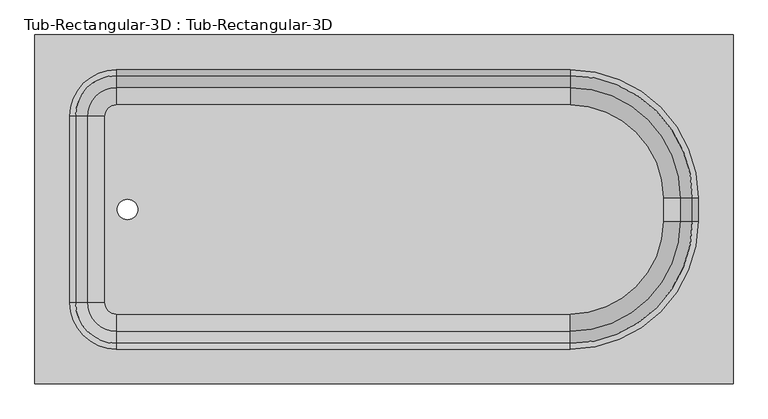
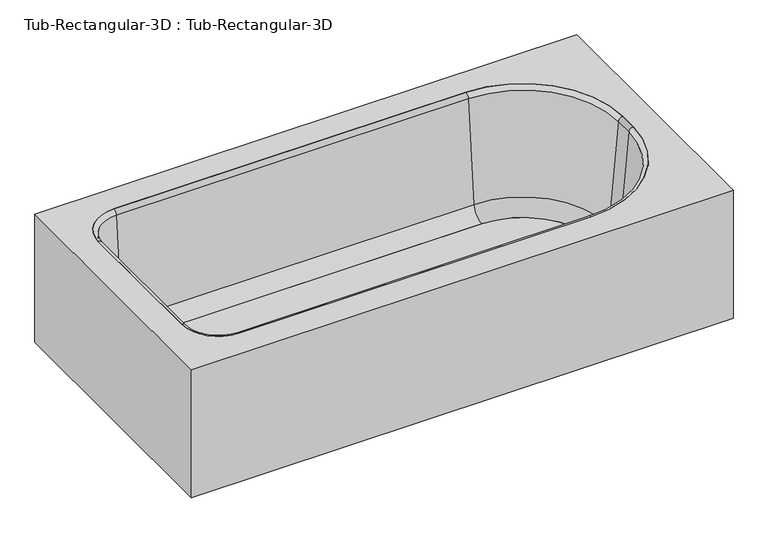
"""IFC4 building model written with IfcOpenShell, lengths in millimetres: flow terminal geometry, Tub-Rectangular-3D : Tub-Rectangular-3D."""

from ifc_helpers import new_model, si_unit, point, frame, frame_2d, origin, place, context, project, spatial, polyline, circle_curve, ellipse_curve, trimmed, segment, composite_curve, outline, extrude, source, transform, mapped, element, save
from ifc_brep_helpers import plane_surface, cylinder_surface, revolved_surface, advanced_brep


def tub_rectangular_3d_tub_rectangular_3d_50df5c49(model_context):
    return source(origin(), model_context, "Body", "SolidModel", [
        advanced_brep(
        [(413.3970313, -885.825, 381.0), (413.3970313, -123.825, 381.0), (-1110.6029687, -123.825, 381.0), (-1110.6029687, -885.825, 381.0), (-932.8029687, -809.625, 381.0), (-1034.4029687, -708.025, 381.0), (-1034.4029687, -301.625, 381.0), (-932.8029687, -200.025, 381.0), (57.7970313, -200.025, 381.0), (337.1970313, -479.425, 381.0), (337.1970313, -530.225, 381.0), (57.7970313, -809.625, 381.0), (394.3470313, -866.775, 361.95), (-1091.5529687, -866.775, 361.95), (-1091.5529687, -142.875, 361.95), (394.3470313, -142.875, 361.95), (-932.8029687, -809.625, 361.95), (57.7970313, -809.625, 361.95), (337.1970313, -530.225, 361.95), (337.1970313, -479.425, 361.95), (57.7970313, -200.025, 361.95), (-932.8029687, -200.025, 361.95), (-1034.4029687, -301.625, 361.95), (-1034.4029687, -708.025, 361.95), (-1110.6029687, -885.825, 0.0), (413.3970313, -885.825, 0.0), (-1110.6029687, -123.825, 0.0), (413.3970313, -123.825, 0.0), (394.3470313, -866.775, 0.0), (394.3470313, -142.875, 0.0), (-1091.5529687, -142.875, 0.0), (-1091.5529687, -866.775, 0.0)],
        [
            (0, 1),
            (1, 2),
            (2, 3),
            (3, 0),
            (4, 5, circle_curve(frame((-932.8029687, -708.025, 381.0), z_axis=(0.0, 0.0, -1.0), x_axis=(0.0, -1.0, 0.0)), 101.6)),
            (5, 6),
            (6, 7, circle_curve(frame((-932.8029687, -301.625, 381.0), z_axis=(0.0, 0.0, -1.0), x_axis=(0.0, -1.0, 0.0)), 101.6)),
            (7, 8),
            (8, 9, circle_curve(frame((57.7970313, -479.425, 381.0), z_axis=(0.0, 0.0, -1.0), x_axis=(0.0, -1.0, 0.0)), 279.4)),
            (9, 10),
            (10, 11, circle_curve(frame((57.7970313, -530.225, 381.0), z_axis=(0.0, 0.0, -1.0), x_axis=(0.0, -1.0, 0.0)), 279.4)),
            (11, 4),
            (12, 13),
            (13, 14),
            (14, 15),
            (15, 12),
            (16, 17),
            (17, 18, circle_curve(frame((57.7970313, -530.225, 361.95), z_axis=(0.0, 0.0, 1.0), x_axis=(0.0, -1.0, 0.0)), 279.4)),
            (18, 19),
            (19, 20, circle_curve(frame((57.7970313, -479.425, 361.95), z_axis=(0.0, 0.0, 1.0), x_axis=(0.0, -1.0, 0.0)), 279.4)),
            (20, 21),
            (21, 22, circle_curve(frame((-932.8029687, -301.625, 361.95), z_axis=(0.0, 0.0, 1.0), x_axis=(0.0, -1.0, 0.0)), 101.6)),
            (22, 23),
            (23, 16, circle_curve(frame((-932.8029687, -708.025, 361.95), z_axis=(0.0, 0.0, 1.0), x_axis=(0.0, -1.0, 0.0)), 101.6)),
            (3, 24),
            (24, 25),
            (25, 0),
            (2, 26),
            (26, 24),
            (1, 27),
            (27, 26),
            (25, 27),
            (11, 17),
            (16, 4),
            (10, 18),
            (9, 19),
            (8, 20),
            (7, 21),
            (6, 22),
            (5, 23),
            (28, 29),
            (29, 30),
            (30, 31),
            (31, 28),
            (28, 12),
            (15, 29),
            (14, 30),
            (13, 31),
        ],
        [
            plane_surface(frame((-1110.6029687, -885.825, 381.0), z_axis=(0.0, 0.0, 1.0), x_axis=(-1.0, 0.0, 0.0))),
            plane_surface(frame((-1110.6029687, -885.825, 361.95), z_axis=(0.0, 0.0, -1.0), x_axis=(1.0, 0.0, 0.0))),
            plane_surface(frame((413.3970313, -885.825, 381.0), z_axis=(0.0, -1.0, 0.0), x_axis=(0.0, 0.0, -1.0))),
            plane_surface(frame((-1110.6029687, -885.825, 381.0), z_axis=(-1.0, 0.0, 0.0), x_axis=(0.0, 0.0, -1.0))),
            plane_surface(frame((-1110.6029687, -123.825, 381.0), z_axis=(0.0, 1.0, 0.0), x_axis=(0.0, 0.0, -1.0))),
            plane_surface(frame((413.3970313, -123.825, 381.0), z_axis=(1.0, 0.0, 0.0), x_axis=(0.0, 0.0, -1.0))),
            plane_surface(frame((-932.8029687, -809.625, 381.0), z_axis=(0.0, 1.0, 0.0), x_axis=(0.0, 0.0, -1.0))),
            revolved_surface(polyline([(57.7970313, -809.625, 361.95), (57.7970313, -809.625, 381.0)]), (57.7970313, -530.225, 381.0), (0.0, 0.0, -1.0)),
            plane_surface(frame((337.1970313, -530.225, 381.0), z_axis=(-1.0, 0.0, 0.0), x_axis=(0.0, 0.0, -1.0))),
            revolved_surface(polyline([(57.7970313, -758.825, 361.95), (57.7970313, -758.825, 381.0)]), (57.7970313, -479.425, 381.0), (0.0, 0.0, -1.0)),
            plane_surface(frame((57.7970313, -200.025, 381.0), z_axis=(0.0, -1.0, 0.0), x_axis=(0.0, 0.0, -1.0))),
            revolved_surface(polyline([(-932.8029687, -403.225, 361.95), (-932.8029687, -403.225, 381.0)]), (-932.8029687, -301.625, 381.0), (0.0, 0.0, -1.0)),
            plane_surface(frame((-1034.4029687, -301.625, 381.0), z_axis=(1.0, 0.0, 0.0), x_axis=(0.0, 0.0, -1.0))),
            revolved_surface(polyline([(-932.8029687, -809.625, 361.95), (-932.8029687, -809.625, 381.0)]), (-932.8029687, -708.025, 381.0), (0.0, 0.0, -1.0)),
            plane_surface(frame((-1110.6029687, -885.825, 0.0), z_axis=(0.0, 0.0, -1.0), x_axis=(1.0, 0.0, 0.0))),
            plane_surface(frame((394.3470313, -866.775, 361.95), z_axis=(-1.0, 0.0, 0.0), x_axis=(0.0, 0.0, -1.0))),
            plane_surface(frame((394.3470313, -142.875, 361.95), z_axis=(0.0, -1.0, 0.0), x_axis=(0.0, 0.0, -1.0))),
            plane_surface(frame((-1091.5529687, -142.875, 361.95), z_axis=(1.0, 0.0, 0.0), x_axis=(0.0, 0.0, -1.0))),
            plane_surface(frame((-1091.5529687, -866.775, 361.95), z_axis=(0.0, 1.0, 0.0), x_axis=(0.0, 0.0, -1.0))),
        ],
        [
            (0, [[1, 2, 3, 4], [5, 6, 7, 8, 9, 10, 11, 12]]),
            (1, [[13, 14, 15, 16], [17, 18, 19, 20, 21, 22, 23, 24]]),
            (2, [[25, 26, 27, -4]]),
            (3, [[28, 29, -25, -3]]),
            (4, [[30, 31, -28, -2]]),
            (5, [[32, -30, -1, -27]]),
            (6, [[33, -17, 34, -12]]),
            (7, [[35, -18, -33, -11]]),
            (8, [[36, -19, -35, -10]]),
            (9, [[37, -20, -36, -9]]),
            (10, [[38, -21, -37, -8]]),
            (11, [[39, -22, -38, -7]]),
            (12, [[40, -23, -39, -6]]),
            (13, [[-34, -24, -40, -5]]),
            (14, [[-26, -29, -31, -32], [41, 42, 43, 44]]),
            (15, [[45, -16, 46, -41]]),
            (16, [[-46, -15, 47, -42]]),
            (17, [[-47, -14, 48, -43]]),
            (18, [[-48, -13, -45, -44]]),
        ],
    ),
        extrude(outline(composite_curve([segment(polyline([(57.7970313, -733.0214741), (-932.8029687, -733.0214741)]), True, "CONTINUOUS"), segment(trimmed(circle_curve(frame_2d((-932.8029687, -708.025)), 24.9964741), [point((-932.8029687, -733.0214741))], [point((-957.7994428, -708.025))], False, "CARTESIAN"), True, "CONTINUOUS"), segment(polyline([(-957.7994428, -708.025), (-957.7994428, -301.625)]), True, "CONTINUOUS"), segment(trimmed(circle_curve(frame_2d((-932.8029687, -301.625)), 24.9964741), [point((-957.7994428, -301.625))], [point((-932.8029687, -276.6285259))], False, "CARTESIAN"), True, "CONTINUOUS"), segment(polyline([(-932.8029687, -276.6285259), (57.7970313, -276.6285259)]), True, "CONTINUOUS"), segment(trimmed(circle_curve(frame_2d((57.7970313, -479.425)), 202.7964741), [point((57.7970313, -276.6285259))], [point((260.5935054, -479.425))], False, "CARTESIAN"), True, "CONTINUOUS"), segment(polyline([(260.5935054, -479.425), (260.5935054, -530.225)]), True, "CONTINUOUS"), segment(trimmed(circle_curve(frame_2d((57.7970313, -530.225)), 202.7964741), [point((260.5935054, -530.225))], [point((57.7970313, -733.0214741))], False, "CARTESIAN"), True, "CONTINUOUS")], self_intersect=False), holes=[composite_curve([segment(trimmed(circle_curve(frame_2d((-908.510206, -504.825)), 22.225), [point((-908.510206, -527.05))], [point((-908.510206, -482.6))], True, "CARTESIAN"), True, "CONTINUOUS"), segment(trimmed(circle_curve(frame_2d((-908.510206, -504.825)), 22.225), [point((-908.510206, -482.6))], [point((-908.510206, -527.05))], True, "CARTESIAN"), True, "CONTINUOUS")], self_intersect=False)]), frame((0.0, 0.0, 16.863573), z_axis=(0.0, 0.0, 1.0), x_axis=(1.0, 0.0, 0.0)), (0.0, 0.0, 1.0), 19.05),
        advanced_brep(
        [(-995.7544608, -708.025, 70.6929392), (-1021.9249722, -708.025, 369.8232535), (-932.8029687, -797.1470035, 369.8232535), (-932.8029687, -770.9764921, 70.6929392), (-957.7994428, -708.025, 35.913573), (-932.8029687, -733.0214741, 35.913573), (-957.7994428, -708.025, 16.863573), (-932.8029687, -733.0214741, 16.863573), (-1034.4029687, -708.025, 16.863573), (-932.8029687, -809.625, 16.863573), (-1034.4029687, -708.025, 381.0), (-932.8029687, -809.625, 381.0), (-995.7544608, -301.625, 70.6929392), (-1021.9249722, -301.625, 369.8232535), (-957.7994428, -301.625, 35.913573), (-957.7994428, -301.625, 16.863573), (-1034.4029687, -301.625, 16.863573), (-1034.4029687, -301.625, 381.0), (-932.8029687, -238.6735079, 70.6929392), (-932.8029687, -212.5029965, 369.8232535), (-932.8029687, -276.6285259, 35.913573), (-932.8029687, -276.6285259, 16.863573), (-932.8029687, -200.025, 16.863573), (-932.8029687, -200.025, 381.0), (57.7970313, -238.6735079, 70.6929392), (57.7970313, -212.5029965, 369.8232535), (57.7970313, -276.6285259, 35.913573), (57.7970313, -276.6285259, 16.863573), (57.7970313, -200.025, 16.863573), (57.7970313, -200.025, 381.0), (298.5485234, -479.425, 70.6929392), (324.7190348, -479.425, 369.8232535), (260.5935054, -479.425, 35.913573), (260.5935054, -479.425, 16.863573), (337.1970313, -479.425, 16.863573), (337.1970313, -479.425, 381.0), (298.5485234, -530.225, 70.6929392), (324.7190348, -530.225, 369.8232535), (260.5935054, -530.225, 35.913573), (260.5935054, -530.225, 16.863573), (337.1970313, -530.225, 16.863573), (337.1970313, -530.225, 381.0), (57.7970313, -770.9764921, 70.6929392), (57.7970313, -797.1470035, 369.8232535), (57.7970313, -733.0214741, 35.913573), (57.7970313, -733.0214741, 16.863573), (57.7970313, -809.625, 16.863573), (57.7970313, -809.625, 381.0)],
        [
            (0, 1),
            (1, 2, circle_curve(frame((-932.8029687, -708.025, 369.8232535), z_axis=(0.0, 0.0, 1.0), x_axis=(0.0, -1.0, 0.0)), 89.1220035)),
            (2, 3),
            (3, 0, circle_curve(frame((-932.8029687, -708.025, 70.6929392), z_axis=(0.0, 0.0, -1.0), x_axis=(0.0, -1.0, 0.0)), 62.9514921)),
            (4, 0, circle_curve(frame((-957.7994428, -708.025, 74.013573), z_axis=(0.0, 1.0, 0.0), x_axis=(1.0, 0.0, 0.0)), 38.1)),
            (3, 5, circle_curve(frame((-932.8029687, -733.0214741, 74.013573), z_axis=(1.0, 0.0, 0.0), x_axis=(0.0, 1.0, 0.0)), 38.1)),
            (5, 4, circle_curve(frame((-932.8029687, -708.025, 35.913573), z_axis=(0.0, 0.0, -1.0), x_axis=(0.0, -1.0, 0.0)), 24.9964741)),
            (6, 4),
            (5, 7),
            (7, 6, circle_curve(frame((-932.8029687, -708.025, 16.863573), z_axis=(0.0, 0.0, -1.0), x_axis=(0.0, -1.0, 0.0)), 24.9964741)),
            (8, 6),
            (7, 9),
            (9, 8, circle_curve(frame((-932.8029687, -708.025, 16.863573), z_axis=(0.0, 0.0, -1.0), x_axis=(0.0, -1.0, 0.0)), 101.6)),
            (10, 8),
            (9, 11),
            (11, 10, circle_curve(frame((-932.8029687, -708.025, 381.0), z_axis=(0.0, 0.0, -1.0), x_axis=(0.0, -1.0, 0.0)), 101.6)),
            (1, 10, circle_curve(frame((-1034.4029687, -708.025, 368.4462547), z_axis=(0.0, -1.0, 0.0), x_axis=(1.0, 0.0, 0.0)), 12.5537453)),
            (11, 2, circle_curve(frame((-932.8029687, -809.625, 368.4462547), z_axis=(-1.0, 0.0, 0.0), x_axis=(0.0, 1.0, 0.0)), 12.5537453)),
            (0, 12),
            (12, 13),
            (13, 1),
            (4, 14),
            (14, 12, circle_curve(frame((-957.7994428, -301.625, 74.013573), z_axis=(0.0, 1.0, 0.0), x_axis=(1.0, 0.0, 0.0)), 38.1)),
            (6, 15),
            (15, 14),
            (8, 16),
            (16, 15),
            (10, 17),
            (17, 16),
            (13, 17, circle_curve(frame((-1034.4029687, -301.625, 368.4462547), z_axis=(0.0, -1.0, 0.0), x_axis=(1.0, 0.0, 0.0)), 12.5537453)),
            (18, 19),
            (19, 13, circle_curve(frame((-932.8029687, -301.625, 369.8232535), z_axis=(0.0, 0.0, 1.0), x_axis=(-1.0, 0.0, 0.0)), 89.1220035)),
            (12, 18, circle_curve(frame((-932.8029687, -301.625, 70.6929392), z_axis=(0.0, 0.0, -1.0), x_axis=(-1.0, 0.0, 0.0)), 62.9514921)),
            (20, 18, circle_curve(frame((-932.8029687, -276.6285259, 74.013573), z_axis=(1.0, 0.0, 0.0), x_axis=(0.0, -1.0, 0.0)), 38.1)),
            (14, 20, circle_curve(frame((-932.8029687, -301.625, 35.913573), z_axis=(0.0, 0.0, -1.0), x_axis=(-1.0, 0.0, 0.0)), 24.9964741)),
            (21, 20),
            (15, 21, circle_curve(frame((-932.8029687, -301.625, 16.863573), z_axis=(0.0, 0.0, -1.0), x_axis=(-1.0, 0.0, 0.0)), 24.9964741)),
            (22, 21),
            (16, 22, circle_curve(frame((-932.8029687, -301.625, 16.863573), z_axis=(0.0, 0.0, -1.0), x_axis=(-1.0, 0.0, 0.0)), 101.6)),
            (23, 22),
            (17, 23, circle_curve(frame((-932.8029687, -301.625, 381.0), z_axis=(0.0, 0.0, -1.0), x_axis=(-1.0, 0.0, 0.0)), 101.6)),
            (19, 23, circle_curve(frame((-932.8029687, -200.025, 368.4462547), z_axis=(-1.0, 0.0, 0.0), x_axis=(0.0, -1.0, 0.0)), 12.5537453)),
            (18, 24),
            (24, 25),
            (25, 19),
            (20, 26),
            (26, 24, circle_curve(frame((57.7970313, -276.6285259, 74.013573), z_axis=(1.0, 0.0, 0.0), x_axis=(0.0, -1.0, 0.0)), 38.1)),
            (21, 27),
            (27, 26),
            (22, 28),
            (28, 27),
            (23, 29),
            (29, 28),
            (25, 29, circle_curve(frame((57.7970313, -200.025, 368.4462547), z_axis=(-1.0, 0.0, 0.0), x_axis=(0.0, -1.0, 0.0)), 12.5537453)),
            (30, 31),
            (31, 25, circle_curve(frame((57.7970313, -479.425, 369.8232535), z_axis=(0.0, 0.0, 1.0), x_axis=(0.0, 1.0, 0.0)), 266.9220035)),
            (24, 30, circle_curve(frame((57.7970313, -479.425, 70.6929392), z_axis=(0.0, 0.0, -1.0), x_axis=(0.0, 1.0, 0.0)), 240.7514921)),
            (32, 30, circle_curve(frame((260.5935054, -479.425, 74.013573), z_axis=(0.0, -1.0, 0.0), x_axis=(-1.0, 0.0, 0.0)), 38.1)),
            (26, 32, circle_curve(frame((57.7970313, -479.425, 35.913573), z_axis=(0.0, 0.0, -1.0), x_axis=(0.0, 1.0, 0.0)), 202.7964741)),
            (33, 32),
            (27, 33, circle_curve(frame((57.7970313, -479.425, 16.863573), z_axis=(0.0, 0.0, -1.0), x_axis=(0.0, 1.0, 0.0)), 202.7964741)),
            (34, 33),
            (28, 34, circle_curve(frame((57.7970313, -479.425, 16.863573), z_axis=(0.0, 0.0, -1.0), x_axis=(0.0, 1.0, 0.0)), 279.4)),
            (35, 34),
            (29, 35, circle_curve(frame((57.7970313, -479.425, 381.0), z_axis=(0.0, 0.0, -1.0), x_axis=(0.0, 1.0, 0.0)), 279.4)),
            (31, 35, circle_curve(frame((337.1970313, -479.425, 368.4462547), z_axis=(0.0, 1.0, 0.0), x_axis=(-1.0, 0.0, 0.0)), 12.5537453)),
            (30, 36),
            (36, 37),
            (37, 31),
            (32, 38),
            (38, 36, circle_curve(frame((260.5935054, -530.225, 74.013573), z_axis=(0.0, -1.0, 0.0), x_axis=(-1.0, 0.0, 0.0)), 38.1)),
            (33, 39),
            (39, 38),
            (34, 40),
            (40, 39),
            (35, 41),
            (41, 40),
            (37, 41, circle_curve(frame((337.1970313, -530.225, 368.4462547), z_axis=(0.0, 1.0, 0.0), x_axis=(-1.0, 0.0, 0.0)), 12.5537453)),
            (42, 43),
            (43, 37, circle_curve(frame((57.7970313, -530.225, 369.8232535), z_axis=(0.0, 0.0, 1.0), x_axis=(1.0, 0.0, 0.0)), 266.9220035)),
            (36, 42, circle_curve(frame((57.7970313, -530.225, 70.6929392), z_axis=(0.0, 0.0, -1.0), x_axis=(1.0, 0.0, 0.0)), 240.7514921)),
            (44, 42, circle_curve(frame((57.7970313, -733.0214741, 74.013573), z_axis=(-1.0, 0.0, 0.0), x_axis=(0.0, 1.0, 0.0)), 38.1)),
            (38, 44, circle_curve(frame((57.7970313, -530.225, 35.913573), z_axis=(0.0, 0.0, -1.0), x_axis=(1.0, 0.0, 0.0)), 202.7964741)),
            (45, 44),
            (39, 45, circle_curve(frame((57.7970313, -530.225, 16.863573), z_axis=(0.0, 0.0, -1.0), x_axis=(1.0, 0.0, 0.0)), 202.7964741)),
            (46, 45),
            (40, 46, circle_curve(frame((57.7970313, -530.225, 16.863573), z_axis=(0.0, 0.0, -1.0), x_axis=(1.0, 0.0, 0.0)), 279.4)),
            (47, 46),
            (41, 47, circle_curve(frame((57.7970313, -530.225, 381.0), z_axis=(0.0, 0.0, -1.0), x_axis=(1.0, 0.0, 0.0)), 279.4)),
            (43, 47, circle_curve(frame((57.7970313, -809.625, 368.4462547), z_axis=(1.0, 0.0, 0.0), x_axis=(0.0, 1.0, 0.0)), 12.5537453)),
            (42, 3),
            (2, 43),
            (44, 5),
            (45, 7),
            (46, 9),
            (47, 11),
        ],
        [
            revolved_surface(polyline([(-932.8029687, -797.1470035, 369.8232535), (-932.8029687, -770.9764921, 70.6929392)]), (-932.8029687, -708.025, 381.0), (0.0, 0.0, 1.0)),
            revolved_surface(trimmed(ellipse_curve(frame((-932.8029687, -733.0214741, 74.013573), z_axis=(1.0, 0.0, 0.0), x_axis=(0.0, 1.0, 0.0)), 38.1, 38.1), [point((-932.8029687, -770.9764921, 70.6929392))], [point((-932.8029687, -733.0214741, 35.913573))], True, "CARTESIAN"), (-932.8029687, -708.025, 381.0), (0.0, 0.0, 1.0)),
            revolved_surface(polyline([(-932.8029687, -733.0214741, 35.913572999999985), (-932.8029687, -733.0214741, 16.863572999999974)]), (-932.8029687, -708.025, 381.0), (0.0, 0.0, 1.0)),
            plane_surface(frame((-932.8029687, -708.025, 16.863573), z_axis=(0.0, 0.0, -1.0), x_axis=(0.0, -1.0, 0.0))),
            cylinder_surface(frame((-932.8029687, -708.025, 381.0), z_axis=(0.0, 0.0, 1.0), x_axis=(0.0, -1.0, 0.0)), 101.6),
            revolved_surface(trimmed(ellipse_curve(frame((-932.8029687, -809.625, 368.4462547), z_axis=(-1.0, 0.0, 0.0), x_axis=(0.0, 1.0, 0.0)), 12.5537453, 12.5537453), [point((-932.8029687, -809.625, 381.0))], [point((-932.8029687, -797.1470035, 369.8232535))], True, "CARTESIAN"), (-932.8029687, -708.025, 381.0), (0.0, 0.0, 1.0)),
            plane_surface(frame((-1021.9249722, -708.025, 369.8232535), z_axis=(0.9961946980917458, 0.0, 0.08715574274765589), x_axis=(0.0, 1.0, 0.0))),
            revolved_surface(polyline([(-919.6994427999999, -301.625, 74.013573), (-919.6994427999999, -708.025, 74.013573)]), (-957.7994428, -708.025, 74.013573), (0.0, 1.0, 0.0)),
            plane_surface(frame((-957.7994428, -708.025, 35.913573), z_axis=(1.0, 0.0, 0.0), x_axis=(0.0, 1.0, 0.0))),
            plane_surface(frame((-957.7994428, -708.025, 16.863573), z_axis=(0.0, 0.0, -1.0), x_axis=(0.0, 1.0, 0.0))),
            plane_surface(frame((-1034.4029687, -708.025, 16.863573), z_axis=(-1.0, 0.0, 0.0), x_axis=(0.0, 1.0, 0.0))),
            cylinder_surface(frame((-1034.4029687, -708.025, 368.4462547), z_axis=(0.0, -1.0, 0.0), x_axis=(1.0, 0.0, 0.0)), 12.5537453),
            revolved_surface(polyline([(-1021.9249722, -301.625, 369.8232535), (-995.7544608, -301.625, 70.6929392)]), (-932.8029687, -301.625, 381.0), (0.0, 0.0, 1.0)),
            revolved_surface(trimmed(ellipse_curve(frame((-957.7994428, -301.625, 74.013573), z_axis=(0.0, -1.0, 0.0), x_axis=(1.0, 0.0, 0.0)), 38.1, 38.1), [point((-995.7544608, -301.625, 70.6929392))], [point((-957.7994428, -301.625, 35.913573))], True, "CARTESIAN"), (-932.8029687, -301.625, 381.0), (0.0, 0.0, 1.0)),
            revolved_surface(polyline([(-957.7994428, -301.625, 35.913572999999985), (-957.7994428, -301.625, 16.863572999999974)]), (-932.8029687, -301.625, 381.0), (0.0, 0.0, 1.0)),
            plane_surface(frame((-932.8029687, -301.625, 16.863573), z_axis=(0.0, 0.0, -1.0), x_axis=(-1.0, 0.0, 0.0))),
            cylinder_surface(frame((-932.8029687, -301.625, 381.0), z_axis=(0.0, 0.0, 1.0), x_axis=(-1.0, 0.0, 0.0)), 101.6),
            revolved_surface(trimmed(ellipse_curve(frame((-1034.4029687, -301.625, 368.4462547), z_axis=(0.0, 1.0, 0.0), x_axis=(1.0, 0.0, 0.0)), 12.5537453, 12.5537453), [point((-1034.4029687, -301.625, 381.0))], [point((-1021.9249722, -301.625, 369.8232535))], True, "CARTESIAN"), (-932.8029687, -301.625, 381.0), (0.0, 0.0, 1.0)),
            plane_surface(frame((-932.8029687, -212.5029965, 369.8232535), z_axis=(0.0, -0.9961946980917461, 0.08715574274765266), x_axis=(1.0, 0.0, 0.0))),
            revolved_surface(polyline([(57.79703129999996, -314.7285259, 74.013573), (-932.8029687, -314.7285259, 74.013573)]), (-932.8029687, -276.6285259, 74.013573), (1.0, 0.0, 0.0)),
            plane_surface(frame((-932.8029687, -276.6285259, 35.913573), z_axis=(0.0, -1.0, 0.0), x_axis=(1.0, 0.0, 0.0))),
            plane_surface(frame((-932.8029687, -276.6285259, 16.863573), z_axis=(0.0, 0.0, -1.0), x_axis=(1.0, 0.0, 0.0))),
            plane_surface(frame((-932.8029687, -200.025, 16.863573), z_axis=(0.0, 1.0, 0.0), x_axis=(1.0, 0.0, 0.0))),
            cylinder_surface(frame((-932.8029687, -200.025, 368.4462547), z_axis=(-1.0, 0.0, 0.0), x_axis=(0.0, -1.0, 0.0)), 12.5537453),
            revolved_surface(polyline([(57.7970313, -212.5029965, 369.8232535), (57.7970313, -238.6735079, 70.6929392)]), (57.7970313, -479.425, 381.0), (0.0, 0.0, 1.0)),
            revolved_surface(trimmed(ellipse_curve(frame((57.7970313, -276.6285259, 74.013573), z_axis=(-1.0, 0.0, 0.0), x_axis=(0.0, -1.0, 0.0)), 38.1, 38.1), [point((57.7970313, -238.6735079, 70.6929392))], [point((57.7970313, -276.6285259, 35.913573))], True, "CARTESIAN"), (57.7970313, -479.425, 381.0), (0.0, 0.0, 1.0)),
            revolved_surface(polyline([(57.7970313, -276.6285259, 35.913572999999985), (57.7970313, -276.6285259, 16.863572999999974)]), (57.7970313, -479.425, 381.0), (0.0, 0.0, 1.0)),
            plane_surface(frame((57.7970313, -479.425, 16.863573), z_axis=(0.0, 0.0, -1.0), x_axis=(0.0, 1.0, 0.0))),
            cylinder_surface(frame((57.7970313, -479.425, 381.0), z_axis=(0.0, 0.0, 1.0), x_axis=(0.0, 1.0, 0.0)), 279.4),
            revolved_surface(trimmed(ellipse_curve(frame((57.7970313, -200.025, 368.4462547), z_axis=(1.0, 0.0, 0.0), x_axis=(0.0, -1.0, 0.0)), 12.5537453, 12.5537453), [point((57.7970313, -200.025, 381.0))], [point((57.7970313, -212.5029965, 369.8232535))], True, "CARTESIAN"), (57.7970313, -479.425, 381.0), (0.0, 0.0, 1.0)),
            plane_surface(frame((324.7190348, -479.425, 369.8232535), z_axis=(-0.9961946980917464, 0.0, 0.08715574274764942), x_axis=(0.0, -1.0, 0.0))),
            revolved_surface(polyline([(222.49350540000003, -530.225, 74.013573), (222.49350540000003, -479.425, 74.013573)]), (260.5935054, -479.425, 74.013573), (0.0, -1.0, 0.0)),
            plane_surface(frame((260.5935054, -479.425, 35.913573), z_axis=(-1.0, 0.0, 0.0), x_axis=(0.0, -1.0, 0.0))),
            plane_surface(frame((260.5935054, -479.425, 16.863573), z_axis=(0.0, 0.0, -1.0), x_axis=(0.0, -1.0, 0.0))),
            plane_surface(frame((337.1970313, -479.425, 16.863573), z_axis=(1.0, 0.0, 0.0), x_axis=(0.0, -1.0, 0.0))),
            cylinder_surface(frame((337.1970313, -479.425, 368.4462547), z_axis=(0.0, 1.0, 0.0), x_axis=(-1.0, 0.0, 0.0)), 12.5537453),
            revolved_surface(polyline([(324.7190348, -530.225, 369.8232535), (298.5485234, -530.225, 70.6929392)]), (57.7970313, -530.225, 381.0), (0.0, 0.0, 1.0)),
            revolved_surface(trimmed(ellipse_curve(frame((260.5935054, -530.225, 74.013573), z_axis=(0.0, 1.0, 0.0), x_axis=(-1.0, 0.0, 0.0)), 38.1, 38.1), [point((298.5485234, -530.225, 70.6929392))], [point((260.5935054, -530.225, 35.913573))], True, "CARTESIAN"), (57.7970313, -530.225, 381.0), (0.0, 0.0, 1.0)),
            revolved_surface(polyline([(260.5935054, -530.225, 35.913572999999985), (260.5935054, -530.225, 16.863572999999974)]), (57.7970313, -530.225, 381.0), (0.0, 0.0, 1.0)),
            plane_surface(frame((57.7970313, -530.225, 16.863573), z_axis=(0.0, 0.0, -1.0), x_axis=(1.0, 0.0, 0.0))),
            cylinder_surface(frame((57.7970313, -530.225, 381.0), z_axis=(0.0, 0.0, 1.0), x_axis=(1.0, 0.0, 0.0)), 279.4),
            revolved_surface(trimmed(ellipse_curve(frame((337.1970313, -530.225, 368.4462547), z_axis=(0.0, -1.0, 0.0), x_axis=(-1.0, 0.0, 0.0)), 12.5537453, 12.5537453), [point((337.1970313, -530.225, 381.0))], [point((324.7190348, -530.225, 369.8232535))], True, "CARTESIAN"), (57.7970313, -530.225, 381.0), (0.0, 0.0, 1.0)),
            plane_surface(frame((57.7970313, -797.1470035, 369.8232535), z_axis=(0.0, 0.9961946980917461, 0.08715574274765266), x_axis=(-1.0, 0.0, 0.0))),
            revolved_surface(polyline([(-932.8029687, -694.9214741, 74.013573), (57.7970313, -694.9214741, 74.013573)]), (57.7970313, -733.0214741, 74.013573), (-1.0, 0.0, 0.0)),
            plane_surface(frame((57.7970313, -733.0214741, 35.913573), z_axis=(0.0, 1.0, 0.0), x_axis=(-1.0, 0.0, 0.0))),
            plane_surface(frame((57.7970313, -733.0214741, 16.863573), z_axis=(0.0, 0.0, -1.0), x_axis=(-1.0, 0.0, 0.0))),
            plane_surface(frame((57.7970313, -809.625, 16.863573), z_axis=(0.0, -1.0, 0.0), x_axis=(-1.0, 0.0, 0.0))),
            cylinder_surface(frame((57.7970313, -809.625, 368.4462547), z_axis=(1.0, 0.0, 0.0), x_axis=(0.0, 1.0, 0.0)), 12.5537453),
        ],
        [
            (0, [[1, 2, 3, 4]]),
            (1, [[5, -4, 6, 7]]),
            (2, [[8, -7, 9, 10]]),
            (3, [[11, -10, 12, 13]]),
            (4, [[14, -13, 15, 16]]),
            (5, [[17, -16, 18, -2]]),
            (6, [[19, 20, 21, -1]]),
            (7, [[22, 23, -19, -5]]),
            (8, [[24, 25, -22, -8]]),
            (9, [[26, 27, -24, -11]]),
            (10, [[28, 29, -26, -14]]),
            (11, [[-21, 30, -28, -17]]),
            (12, [[31, 32, -20, 33]]),
            (13, [[34, -33, -23, 35]]),
            (14, [[36, -35, -25, 37]]),
            (15, [[38, -37, -27, 39]]),
            (16, [[40, -39, -29, 41]]),
            (17, [[42, -41, -30, -32]]),
            (18, [[43, 44, 45, -31]]),
            (19, [[46, 47, -43, -34]]),
            (20, [[48, 49, -46, -36]]),
            (21, [[50, 51, -48, -38]]),
            (22, [[52, 53, -50, -40]]),
            (23, [[-45, 54, -52, -42]]),
            (24, [[55, 56, -44, 57]]),
            (25, [[58, -57, -47, 59]]),
            (26, [[60, -59, -49, 61]]),
            (27, [[62, -61, -51, 63]]),
            (28, [[64, -63, -53, 65]]),
            (29, [[66, -65, -54, -56]]),
            (30, [[67, 68, 69, -55]]),
            (31, [[70, 71, -67, -58]]),
            (32, [[72, 73, -70, -60]]),
            (33, [[74, 75, -72, -62]]),
            (34, [[76, 77, -74, -64]]),
            (35, [[-69, 78, -76, -66]]),
            (36, [[79, 80, -68, 81]]),
            (37, [[82, -81, -71, 83]]),
            (38, [[84, -83, -73, 85]]),
            (39, [[86, -85, -75, 87]]),
            (40, [[88, -87, -77, 89]]),
            (41, [[90, -89, -78, -80]]),
            (42, [[91, -3, 92, -79]]),
            (43, [[93, -6, -91, -82]]),
            (44, [[94, -9, -93, -84]]),
            (45, [[95, -12, -94, -86]]),
            (46, [[96, -15, -95, -88]]),
            (47, [[-92, -18, -96, -90]]),
        ],
    ),
    ])


if __name__ == "__main__":
    model = new_model("IFC4")
    model_context = context("Model", 3, world=origin())
    ifc_project = project(units=[si_unit("LENGTHUNIT", "METRE", prefix="MILLI")], contexts=[model_context])
    site = spatial("IfcSite", under=ifc_project)
    building = spatial("IfcBuilding", under=site)
    placement = place(None, origin())
    tub_rectangular_3d_tub_rectangular_3d_shape = tub_rectangular_3d_tub_rectangular_3d_50df5c49(model_context)
    element("IfcFlowTerminal", 1, ObjectType="Tub-Rectangular-3D : Tub-Rectangular-3D", at=placement, inside=building, context=model_context, shape_type="MappedRepresentation", body=[
        mapped(tub_rectangular_3d_tub_rectangular_3d_shape, transform((0.0, 0.0, 0.0), x_axis=(1.0, 0.0, 0.0), y_axis=(0.0, 1.0, 0.0), z_axis=(0.0, 0.0, 1.0))),
    ])
    save(model, "model.ifc")
